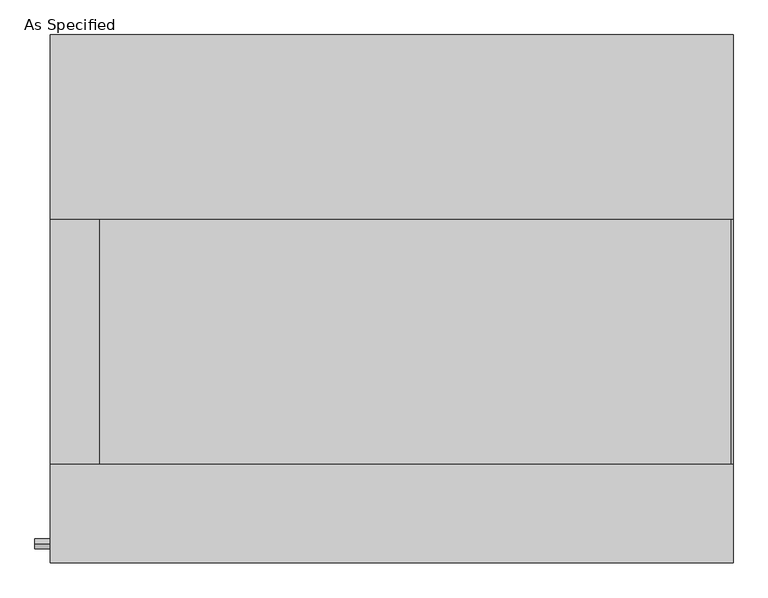
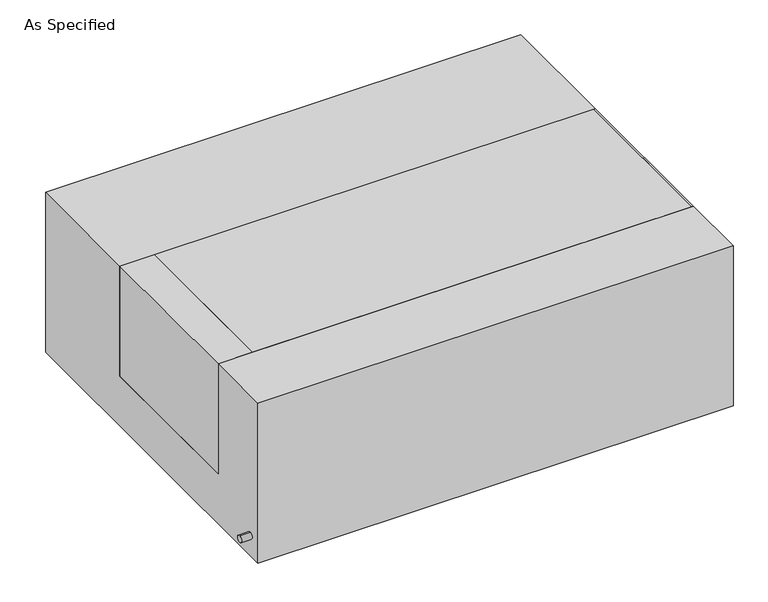
"""IFC4 building model written with IfcOpenShell, lengths in millimetres: proxy geometry, As Specified."""

from ifc_helpers import new_model, si_unit, point, frame, frame_2d, origin, place, context, project, spatial, polyline, circle_curve, trimmed, segment, composite_curve, outline, extrude, source, transform, mapped, element, save


def as_specified_247ac5f7(model_context):
    return source(origin(), model_context, "Body", "SweptSolid", [
        extrude(outline(composite_curve([segment(trimmed(circle_curve(frame_2d((-509.5875, -466.725)), 10.5), [point((-509.5875, -456.225))], [point((-509.5875, -477.225))], False, "CARTESIAN"), True, "CONTINUOUS"), segment(trimmed(circle_curve(frame_2d((-509.5875, -466.725)), 10.5), [point((-509.5875, -477.225))], [point((-509.5875, -456.225))], False, "CARTESIAN"), True, "CONTINUOUS")], self_intersect=False)), frame((-741.4528384, 0.0, 0.0), z_axis=(1.0, 0.0, 0.0), x_axis=(0.0, 1.0, 0.0)), (0.0, 0.0, 1.0), 31.8403384),
        extrude(outline(polyline([(-607.21875, 165.1), (-607.21875, -342.9), (-709.6125, -342.9), (-709.6125, 165.1), (-607.21875, 165.1)])), frame((0.0, 0.0, -373.0625), z_axis=(0.0, 0.0, 1.0), x_axis=(1.0, 0.0, 0.0)), (0.0, 0.0, 1.0), 347.6625),
        extrude(outline(polyline([(705.64375, 165.1), (709.6125, 165.1), (709.6125, -342.9), (705.64375, -342.9), (705.64375, 165.1)])), frame((0.0, 0.0, -39.6875), z_axis=(0.0, 0.0, 1.0), x_axis=(1.0, 0.0, 0.0)), (0.0, 0.0, 1.0), 14.2875),
        extrude(outline(polyline([(709.6125, 165.1), (709.6125, -342.9), (-607.21875, -342.9), (-607.21875, 165.1), (709.6125, 165.1)])), frame((0.0, 0.0, -373.0625), z_axis=(0.0, 0.0, 1.0), x_axis=(1.0, 0.0, 0.0)), (0.0, 0.0, 1.0), 347.6625),
        extrude(outline(polyline([(549.275, -25.4), (549.275, -530.225), (-549.275, -530.225), (-549.275, -25.4), (-342.9, -25.4), (-342.9, -373.0625), (165.1, -373.0625), (165.1, -25.4), (549.275, -25.4)])), frame((-709.6125, 0.0, 0.0), z_axis=(1.0, 0.0, 0.0), x_axis=(0.0, 1.0, 0.0)), (0.0, 0.0, 1.0), 1419.225),
    ])


if __name__ == "__main__":
    model = new_model("IFC4")
    model_context = context("Model", 3, world=origin())
    ifc_project = project(units=[si_unit("LENGTHUNIT", "METRE", prefix="MILLI")], contexts=[model_context])
    site = spatial("IfcSite", under=ifc_project)
    building = spatial("IfcBuilding", under=site)
    placement = place(None, origin())
    as_specified_shape = as_specified_247ac5f7(model_context)
    element("IfcBuildingElementProxy", 1, Name="As Specified", ObjectType="As Specified", at=placement, inside=building, context=model_context, shape_type="MappedRepresentation", body=[
        mapped(as_specified_shape, transform((0.0, 0.0, 0.0), x_axis=(1.0, 0.0, 0.0), y_axis=(0.0, 1.0, 0.0), z_axis=(0.0, 0.0, 1.0))),
    ])
    save(model, "model.ifc")
